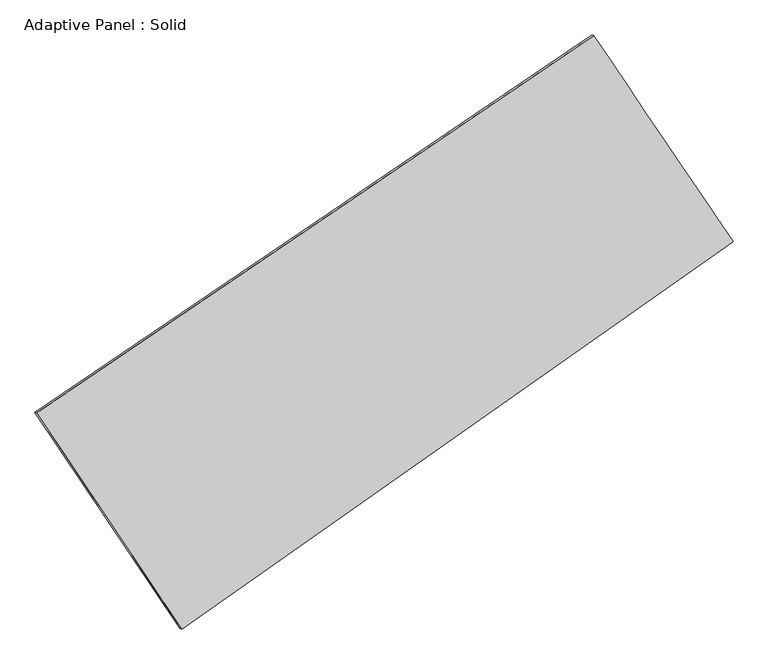
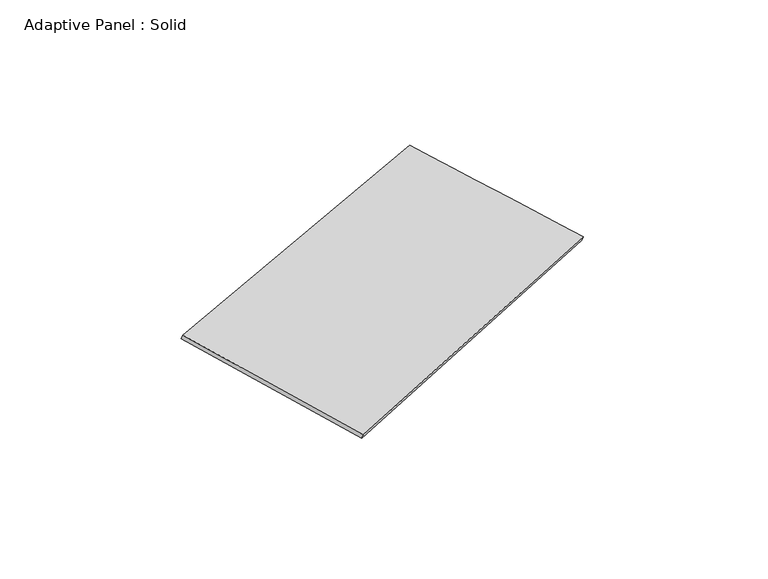
"""IFC4 building model written with IfcOpenShell, lengths in millimetres: plate geometry, Adaptive Panel : Solid."""

from ifc_helpers import new_model, si_unit, frame, origin, place, context, project, spatial, source, transform, mapped, element, save
from ifc_brep_helpers import plane_surface, spline_surface, advanced_brep


def adaptive_panel_solid_0320a9e6(model_context):
    return source(origin(), model_context, "Body", "AdvancedBrep", [
        advanced_brep(
        [(1134.4633726, 2433.9903029, 645.5337672), (-3659.6417452, -816.6621727, 1719.8844119), (-3644.9753894, -823.0422662, 1767.25732), (1149.1297284, 2427.6102094, 692.9066753), (-2412.0795494, -2676.7036576, 1055.9316059), (-2397.4131936, -2683.083751, 1103.304514), (2333.9673439, 659.1269545, 63.7727351), (2348.6336997, 652.746861, 111.1456431)],
        [
            (0, 1),
            (1, 2),
            (2, 3),
            (3, 0),
            (1, 4),
            (4, 5),
            (5, 2),
            (4, 6),
            (6, 7),
            (7, 5),
            (6, 0),
            (3, 7),
        ],
        [
            plane_surface(frame((-1262.5891863, 808.6640651, 1182.7090896), z_axis=(-0.4995374467876161, 0.8245394337865816, 0.26570107524775544), x_axis=(-0.8137953241114445, -0.5517955322111937, 0.182370121144103))),
            plane_surface(frame((-3035.8606473, -1746.6829151, 1387.9080089), z_axis=(-0.7907226590495676, -0.5894003335415525, 0.16542346655383586), x_axis=(0.5340541147645727, -0.7962431147543507, -0.2842236878047266))),
            plane_surface(frame((-39.0561028, -1008.7883515, 559.8521705), z_axis=(0.5155172940954721, -0.8135068966502145, -0.2691624947703901), x_axis=(0.8064198776802126, 0.5668043689024862, -0.16858169614547563))),
            plane_surface(frame((1734.2153582, 1546.5586287, 354.6532512), z_axis=(0.7910597585028726, 0.5888995353339823, -0.16559527698819362), x_axis=(-0.5403721715300924, 0.7995694759311602, 0.26208122671229633))),
            spline_surface(1, 1, [[(-3644.9753894, -823.0422662, 1767.25732), (1149.1297284, 2427.6102094, 692.9066753)], [(-2397.4131936, -2683.083751, 1103.304514), (2348.6336997, 652.746861, 111.1456431)]], [2, 2], [2, 2], [0.0, 1.0], [0.0, 1.0]),
            spline_surface(1, 1, [[(2333.9673439, 659.1269545, 63.7727351), (1134.4633726, 2433.9903029, 645.5337672)], [(-2412.0795494, -2676.7036576, 1055.9316059), (-3659.6417452, -816.6621727, 1719.8844119)]], [2, 2], [2, 2], [0.0, 1.0], [0.0, 1.0]),
        ],
        [
            (0, [[1, 2, 3, 4]]),
            (1, [[5, 6, 7, -2]]),
            (2, [[8, 9, 10, -6]]),
            (3, [[11, -4, 12, -9]]),
            (4, [[-3, -7, -10, -12]]),
            (5, [[-11, -8, -5, -1]]),
        ],
    ),
    ])


if __name__ == "__main__":
    model = new_model("IFC4")
    model_context = context("Model", 3, world=origin())
    ifc_project = project(units=[si_unit("LENGTHUNIT", "METRE", prefix="MILLI")], contexts=[model_context])
    site = spatial("IfcSite", under=ifc_project)
    building = spatial("IfcBuilding", under=site)
    placement = place(None, origin())
    adaptive_panel_solid_shape = adaptive_panel_solid_0320a9e6(model_context)
    element("IfcPlate", 1, ObjectType="Adaptive Panel : Solid", at=placement, inside=building, context=model_context, shape_type="MappedRepresentation", body=[
        mapped(adaptive_panel_solid_shape, transform((0.0, 0.0, 0.0), x_axis=(1.0, 0.0, 0.0), y_axis=(0.0, 1.0, 0.0), z_axis=(0.0, 0.0, 1.0))),
    ])
    save(model, "model.ifc")
